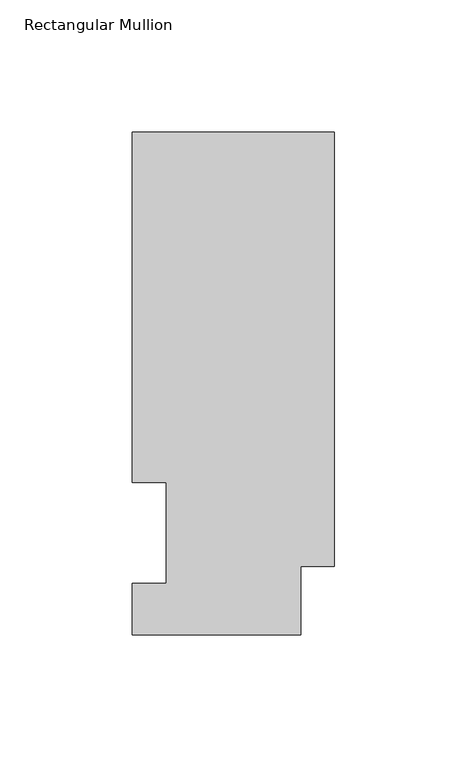
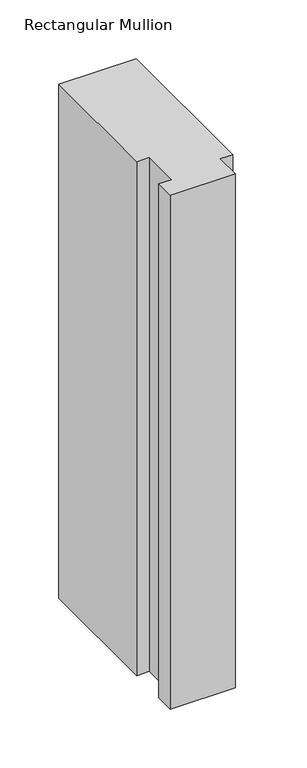
"""IFC4 building model written with IfcOpenShell, lengths in millimetres: member geometry, Rectangular Mullion."""

from ifc_helpers import new_model, si_unit, frame, origin, place, context, project, spatial, polyline, outline, extrude, source, transform, mapped, element, save


def rectangular_mullion_e1e0a4c8(model_context):
    return source(origin(), model_context, "Body", "SweptSolid", [
        extrude(outline(polyline([(0.0, 189.8022938), (0.0, 25.8955957), (-12.7, 25.8955957), (-12.7, 0.0134938), (-76.2, 0.0134938), (-76.2, 19.5460938), (-63.5, 19.5460938), (-63.5, 57.6460937), (-76.2, 57.6460937), (-76.2, 189.8022938), (0.0, 189.8022938)])), frame((0.0, 0.0, -533.4043756), z_axis=(0.0, 0.0, 1.0), x_axis=(1.0, 0.0, 0.0)), (0.0, 0.0, 1.0), 533.4043756),
    ])


if __name__ == "__main__":
    model = new_model("IFC4")
    model_context = context("Model", 3, world=origin())
    ifc_project = project(units=[si_unit("LENGTHUNIT", "METRE", prefix="MILLI")], contexts=[model_context])
    site = spatial("IfcSite", under=ifc_project)
    building = spatial("IfcBuilding", under=site)
    placement = place(None, origin())
    rectangular_mullion_shape = rectangular_mullion_e1e0a4c8(model_context)
    element("IfcMember", 1, ObjectType="Rectangular Mullion", at=placement, inside=building, context=model_context, shape_type="MappedRepresentation", body=[
        mapped(rectangular_mullion_shape, transform((0.0, 0.0, 0.0), x_axis=(1.0, 0.0, 0.0), y_axis=(0.0, 1.0, 0.0), z_axis=(0.0, 0.0, 1.0))),
    ])
    save(model, "model.ifc")
